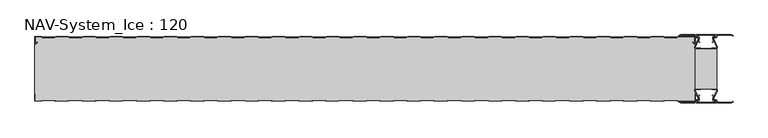
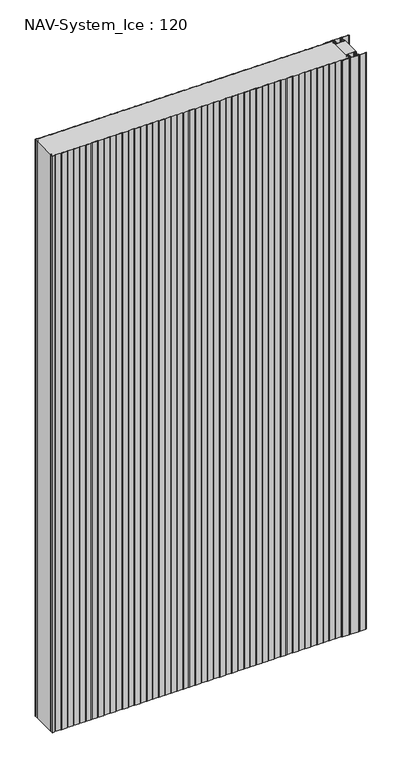
"""IFC4 building model written with IfcOpenShell, lengths in millimetres: plate geometry, NAV-System_Ice : 120."""

from ifc_helpers import new_model, si_unit, point, frame_2d, origin, origin_with_axes, place, context, project, spatial, polyline, circle_curve, trimmed, segment, composite_curve, outline, extrude, source, transform, mapped, element, save


def nav_system_ice_120_106fddd6(model_context):
    return source(origin(), model_context, "Body", "SweptSolid", [
        extrude(outline(polyline([(630.0, -96.9693935), (590.0, -96.9693935), (590.0, -23.0306065), (630.0, -23.0306065), (630.0, -96.9693935)])), origin_with_axes(), (0.0, 0.0, 1.0), 2500.0),
        extrude(outline(composite_curve([segment(trimmed(circle_curve(frame_2d((599.1138734, -111.8417863)), 3.357884), [point((596.1169606, -113.3563483))], [point((597.7243711, -108.7848813))], False, "CARTESIAN"), True, "CONTINUOUS"), segment(polyline([(597.7243711, -108.7848813), (598.0554135, -109.5131744)]), True, "CONTINUOUS"), segment(trimmed(circle_curve(frame_2d((599.1138734, -111.8417863)), 2.557884), [point((598.0554135, -109.5131744))], [point((596.8448746, -113.0226397))], True, "CARTESIAN"), True, "CONTINUOUS"), segment(polyline([(596.8448746, -113.0226397), (597.7376807, -115.2182139)]), True, "CONTINUOUS"), segment(trimmed(circle_curve(frame_2d((593.7962884, -116.3456266)), 4.0994674), [point((597.7376807, -115.2182139))], [point((593.7866434, -120.4450826))], False, "CARTESIAN"), True, "CONTINUOUS"), segment(polyline([(593.7866434, -120.4450826), (592.2194901, -120.4092333)]), True, "CONTINUOUS"), segment(trimmed(circle_curve(frame_2d((592.2592624, -121.3027113)), 0.8943628), [point((592.2194901, -120.4092333))], [point((592.2592624, -122.1970741))], True, "CARTESIAN"), True, "CONTINUOUS"), segment(polyline([(592.2592624, -122.1970741), (627.7407376, -122.1970741)]), True, "CONTINUOUS"), segment(trimmed(circle_curve(frame_2d((627.7407376, -121.3027113)), 0.8943628), [point((627.7407376, -122.1970741))], [point((627.7805099, -120.4092333))], True, "CARTESIAN"), True, "CONTINUOUS"), segment(polyline([(627.7805099, -120.4092333), (626.2133566, -120.4450826)]), True, "CONTINUOUS"), segment(trimmed(circle_curve(frame_2d((626.2037116, -116.3456266)), 4.0994674), [point((626.2133566, -120.4450826))], [point((622.2623193, -115.2182139))], False, "CARTESIAN"), True, "CONTINUOUS"), segment(polyline([(622.2623193, -115.2182139), (623.1551254, -113.0226397)]), True, "CONTINUOUS"), segment(trimmed(circle_curve(frame_2d((620.8861266, -111.8417863)), 2.557884), [point((623.1551254, -113.0226397))], [point((621.9445865, -109.5131744))], True, "CARTESIAN"), True, "CONTINUOUS"), segment(polyline([(621.9445865, -109.5131744), (622.2756289, -108.7848813)]), True, "CONTINUOUS"), segment(trimmed(circle_curve(frame_2d((620.8861266, -111.8417863)), 3.357884), [point((622.2756289, -108.7848813))], [point((623.8830394, -113.3563483))], False, "CARTESIAN"), True, "CONTINUOUS"), segment(polyline([(623.8830394, -113.3563483), (623.0205049, -115.4774793)]), True, "CONTINUOUS"), segment(trimmed(circle_curve(frame_2d((626.2037116, -116.3456266)), 3.2994674), [point((623.0205049, -115.4774793))], [point((626.2037116, -119.645094))], True, "CARTESIAN"), True, "CONTINUOUS"), segment(polyline([(626.2037116, -119.645094), (627.7848884, -119.6089239)]), True, "CONTINUOUS"), segment(trimmed(circle_curve(frame_2d((627.7407376, -121.3027113)), 1.6943628), [point((627.7848884, -119.6089239))], [point((627.7407423, -122.9970741))], False, "CARTESIAN"), True, "CONTINUOUS"), segment(polyline([(627.7407423, -122.9970741), (592.2592577, -122.9970741)]), True, "CONTINUOUS"), segment(trimmed(circle_curve(frame_2d((592.2592624, -121.3027113)), 1.6943628), [point((592.2592577, -122.9970741))], [point((592.2151116, -119.6089239))], False, "CARTESIAN"), True, "CONTINUOUS"), segment(polyline([(592.2151116, -119.6089239), (593.7962884, -119.645094)]), True, "CONTINUOUS"), segment(trimmed(circle_curve(frame_2d((593.7962884, -116.3456266)), 3.2994674), [point((593.7962884, -119.645094))], [point((596.9794951, -115.4774793))], True, "CARTESIAN"), True, "CONTINUOUS"), segment(polyline([(596.9794951, -115.4774793), (596.1169606, -113.3563483)]), True, "CONTINUOUS")], self_intersect=False)), origin_with_axes(), (0.0, 0.0, 1.0), 2500.0),
        extrude(outline(composite_curve([segment(polyline([(596.1169606, -6.6436517), (596.9794951, -4.5225207)]), True, "CONTINUOUS"), segment(trimmed(circle_curve(frame_2d((593.7962884, -3.6543734)), 3.2994674), [point((596.9794951, -4.5225207))], [point((593.7962884, -0.354906))], True, "CARTESIAN"), True, "CONTINUOUS"), segment(polyline([(593.7962884, -0.354906), (592.2151116, -0.3910761)]), True, "CONTINUOUS"), segment(trimmed(circle_curve(frame_2d((592.2592624, 1.3027113)), 1.6943628), [point((592.2151116, -0.3910761))], [point((592.2592577, 2.9970741))], False, "CARTESIAN"), True, "CONTINUOUS"), segment(polyline([(592.2592577, 2.9970741), (627.7407423, 2.9970741)]), True, "CONTINUOUS"), segment(trimmed(circle_curve(frame_2d((627.7407376, 1.3027113)), 1.6943628), [point((627.7407423, 2.9970741))], [point((627.7848884, -0.3910761))], False, "CARTESIAN"), True, "CONTINUOUS"), segment(polyline([(627.7848884, -0.3910761), (626.2037116, -0.354906)]), True, "CONTINUOUS"), segment(trimmed(circle_curve(frame_2d((626.2037116, -3.6543734)), 3.2994674), [point((626.2037116, -0.354906))], [point((623.0205049, -4.5225207))], True, "CARTESIAN"), True, "CONTINUOUS"), segment(polyline([(623.0205049, -4.5225207), (623.8830394, -6.6436517)]), True, "CONTINUOUS"), segment(trimmed(circle_curve(frame_2d((620.8861266, -8.1582137)), 3.357884), [point((623.8830394, -6.6436517))], [point((622.2756289, -11.2151187))], False, "CARTESIAN"), True, "CONTINUOUS"), segment(polyline([(622.2756289, -11.2151187), (621.9445865, -10.4868256)]), True, "CONTINUOUS"), segment(trimmed(circle_curve(frame_2d((620.8861266, -8.1582137)), 2.557884), [point((621.9445865, -10.4868256))], [point((623.1551254, -6.9773603))], True, "CARTESIAN"), True, "CONTINUOUS"), segment(polyline([(623.1551254, -6.9773603), (622.2623193, -4.7817861)]), True, "CONTINUOUS"), segment(trimmed(circle_curve(frame_2d((626.2037116, -3.6543734)), 4.0994674), [point((622.2623193, -4.7817861))], [point((626.2133566, 0.4450826))], False, "CARTESIAN"), True, "CONTINUOUS"), segment(polyline([(626.2133566, 0.4450826), (627.7805099, 0.4092333)]), True, "CONTINUOUS"), segment(trimmed(circle_curve(frame_2d((627.7407376, 1.3027113)), 0.8943628), [point((627.7805099, 0.4092333))], [point((627.7407376, 2.1970741))], True, "CARTESIAN"), True, "CONTINUOUS"), segment(polyline([(627.7407376, 2.1970741), (592.2592624, 2.1970741)]), True, "CONTINUOUS"), segment(trimmed(circle_curve(frame_2d((592.2592624, 1.3027113)), 0.8943628), [point((592.2592624, 2.1970741))], [point((592.2194901, 0.4092333))], True, "CARTESIAN"), True, "CONTINUOUS"), segment(polyline([(592.2194901, 0.4092333), (593.7866434, 0.4450826)]), True, "CONTINUOUS"), segment(trimmed(circle_curve(frame_2d((593.7962884, -3.6543734)), 4.0994674), [point((593.7866434, 0.4450826))], [point((597.7376807, -4.7817861))], False, "CARTESIAN"), True, "CONTINUOUS"), segment(polyline([(597.7376807, -4.7817861), (596.8448746, -6.9773603)]), True, "CONTINUOUS"), segment(trimmed(circle_curve(frame_2d((599.1138734, -8.1582137)), 2.557884), [point((596.8448746, -6.9773603))], [point((598.0554135, -10.4868256))], True, "CARTESIAN"), True, "CONTINUOUS"), segment(polyline([(598.0554135, -10.4868256), (597.7243711, -11.2151187)]), True, "CONTINUOUS"), segment(trimmed(circle_curve(frame_2d((599.1138734, -8.1582137)), 3.357884), [point((597.7243711, -11.2151187))], [point((596.1169606, -6.6436517))], False, "CARTESIAN"), True, "CONTINUOUS")], self_intersect=False)), origin_with_axes(), (0.0, 0.0, 1.0), 2500.0),
        extrude(outline(composite_curve([segment(trimmed(circle_curve(frame_2d((591.9446371, -99.7746821)), 1.80576), [point((591.9446371, -97.9689221))], [point((590.2170288, -100.300171))], True, "CARTESIAN"), True, "CONTINUOUS"), segment(polyline([(590.2170288, -100.300171), (596.4690067, -114.9459892)]), True, "CONTINUOUS"), segment(trimmed(circle_curve(frame_2d((593.7254406, -115.9868127)), 2.93436), [point((596.4690067, -114.9459892))], [point((593.7254406, -118.9211727))], False, "CARTESIAN"), True, "CONTINUOUS"), segment(polyline([(593.7254406, -118.9211727), (592.1347887, -118.9211727)]), True, "CONTINUOUS"), segment(trimmed(circle_curve(frame_2d((592.1347887, -120.5012127)), 1.58004), [point((592.1347887, -118.9211727))], [point((590.931072, -119.4776931))], True, "CARTESIAN"), True, "CONTINUOUS"), segment(polyline([(590.931072, -119.4776931), (589.0191946, -123.0112573), (562.9417977, -123.0112573), (560.0, -121.2043676), (560.523373, -120.3522639), (563.2243806, -122.0112573), (588.4232658, -122.0112573), (590.0952671, -118.9210361)]), True, "CONTINUOUS"), segment(trimmed(circle_curve(frame_2d((592.1347887, -120.5012127)), 2.58004), [point((590.0952671, -118.9210361))], [point((592.1347887, -117.9211727))], False, "CARTESIAN"), True, "CONTINUOUS"), segment(polyline([(592.1347887, -117.9211727), (593.7254406, -117.9211727)]), True, "CONTINUOUS"), segment(trimmed(circle_curve(frame_2d((593.7254406, -115.9868127)), 1.93436), [point((593.7254406, -117.9211727))], [point((595.5404425, -115.3178459))], True, "CARTESIAN"), True, "CONTINUOUS"), segment(polyline([(595.5404425, -115.3178459), (589.2784311, -100.6484726)]), True, "CONTINUOUS"), segment(trimmed(circle_curve(frame_2d((591.9446225, -99.7747413)), 2.8057055), [point((589.2784311, -100.6484726))], [point((591.9446225, -96.9690357))], False, "CARTESIAN"), True, "CONTINUOUS"), segment(polyline([(591.9446225, -96.9690357), (595.755568, -96.9690357)]), True, "CONTINUOUS"), segment(trimmed(circle_curve(frame_2d((595.7555679, -99.0975873)), 2.1285516), [point((595.755568, -96.9690357))], [point((597.1042828, -97.4508633))], False, "CARTESIAN"), True, "CONTINUOUS"), segment(trimmed(circle_curve(frame_2d((598.2552034, -96.0456377)), 1.8163913), [point((597.1042828, -97.4508633))], [point((599.4059468, -97.4510085))], True, "CARTESIAN"), True, "CONTINUOUS"), segment(trimmed(circle_curve(frame_2d((600.7543352, -99.0977575)), 2.128364), [point((599.4059468, -97.4510085))], [point((600.7543352, -96.9693935))], False, "CARTESIAN"), True, "CONTINUOUS"), segment(polyline([(600.7543352, -96.9693935), (619.2454674, -96.9693935)]), True, "CONTINUOUS"), segment(trimmed(circle_curve(frame_2d((619.2454674, -99.0977884)), 2.1283949), [point((619.2454674, -96.9693935))], [point((620.594293, -97.4513576))], False, "CARTESIAN"), True, "CONTINUOUS"), segment(trimmed(circle_curve(frame_2d((621.7456338, -96.0459847)), 1.8167715), [point((620.594293, -97.4513576))], [point((622.8963798, -97.4518446))], True, "CARTESIAN"), True, "CONTINUOUS"), segment(trimmed(circle_curve(frame_2d((624.244105, -99.0983528)), 2.1277576), [point((622.8963798, -97.4518446))], [point((624.244105, -96.9705952))], False, "CARTESIAN"), True, "CONTINUOUS"), segment(polyline([(624.244105, -96.9705952), (628.0535675, -96.9705952)]), True, "CONTINUOUS"), segment(trimmed(circle_curve(frame_2d((628.0535675, -99.7787791)), 2.8081839), [point((628.0535675, -96.9705952))], [point((630.7287795, -100.6326746))], False, "CARTESIAN"), True, "CONTINUOUS"), segment(polyline([(630.7287795, -100.6326746), (624.4595575, -115.3178459)]), True, "CONTINUOUS"), segment(trimmed(circle_curve(frame_2d((626.2745595, -115.9868127)), 1.93436), [point((624.4595575, -115.3178459))], [point((626.2745595, -117.9211727))], True, "CARTESIAN"), True, "CONTINUOUS"), segment(polyline([(626.2745595, -117.9211727), (627.8652113, -117.9211727)]), True, "CONTINUOUS"), segment(trimmed(circle_curve(frame_2d((627.8652113, -120.5012127)), 2.58004), [point((627.8652113, -117.9211727))], [point((629.9047329, -118.9210361))], False, "CARTESIAN"), True, "CONTINUOUS"), segment(polyline([(629.9047329, -118.9210361), (631.5767342, -122.0112573), (656.7756194, -122.0112573), (659.476627, -120.3522639), (660.0, -121.2043676), (657.0582024, -123.0112573), (630.9808054, -123.0112573), (629.068928, -119.4776931)]), True, "CONTINUOUS"), segment(trimmed(circle_curve(frame_2d((627.8652113, -120.5012127)), 1.58004), [point((629.068928, -119.4776931))], [point((627.8652113, -118.9211727))], True, "CARTESIAN"), True, "CONTINUOUS"), segment(polyline([(627.8652113, -118.9211727), (626.2745595, -118.9211727)]), True, "CONTINUOUS"), segment(trimmed(circle_curve(frame_2d((626.2745595, -115.9868127)), 2.93436), [point((626.2745595, -118.9211727))], [point((623.5309933, -114.9459892))], False, "CARTESIAN"), True, "CONTINUOUS"), segment(polyline([(623.5309933, -114.9459892), (629.7829713, -100.300171)]), True, "CONTINUOUS"), segment(trimmed(circle_curve(frame_2d((628.0553629, -99.7746822)), 1.80576), [point((629.7829713, -100.300171))], [point((628.0553629, -97.9689222))], True, "CARTESIAN"), True, "CONTINUOUS"), segment(polyline([(628.0553629, -97.9689222), (623.5184731, -97.9689222)]), True, "CONTINUOUS"), segment(trimmed(circle_curve(frame_2d((621.7449981, -96.0455076)), 2.6162449), [point((623.5184731, -97.9689222))], [point((619.7766029, -97.7689222))], False, "CARTESIAN"), True, "CONTINUOUS"), segment(polyline([(619.7766029, -97.7689222), (600.2233971, -97.7689222)]), True, "CONTINUOUS"), segment(trimmed(circle_curve(frame_2d((598.255002, -96.0455076)), 2.6162449), [point((600.2233971, -97.7689222))], [point((596.4815269, -97.9689221))], False, "CARTESIAN"), True, "CONTINUOUS"), segment(polyline([(596.4815269, -97.9689221), (591.9446371, -97.9689221)]), True, "CONTINUOUS")], self_intersect=False)), origin_with_axes(), (0.0, 0.0, 1.0), 2500.0),
        extrude(outline(composite_curve([segment(polyline([(591.9446371, -22.0310778), (596.4815269, -22.0310778)]), True, "CONTINUOUS"), segment(trimmed(circle_curve(frame_2d((598.2550019, -23.9544924)), 2.6162449), [point((596.4815269, -22.0310778))], [point((600.2233971, -22.2310778))], False, "CARTESIAN"), True, "CONTINUOUS"), segment(polyline([(600.2233971, -22.2310778), (619.7766029, -22.2310778)]), True, "CONTINUOUS"), segment(trimmed(circle_curve(frame_2d((621.7449981, -23.9544924)), 2.6162449), [point((619.7766029, -22.2310778))], [point((623.5184731, -22.0310778))], False, "CARTESIAN"), True, "CONTINUOUS"), segment(polyline([(623.5184731, -22.0310778), (628.0553629, -22.0310778)]), True, "CONTINUOUS"), segment(trimmed(circle_curve(frame_2d((628.0553629, -20.2253178)), 1.80576), [point((628.0553629, -22.0310778))], [point((629.7829712, -19.699829))], True, "CARTESIAN"), True, "CONTINUOUS"), segment(polyline([(629.7829712, -19.699829), (623.5309933, -5.0540108)]), True, "CONTINUOUS"), segment(trimmed(circle_curve(frame_2d((626.2745594, -4.0131873)), 2.93436), [point((623.5309933, -5.0540108))], [point((626.2745594, -1.0788273))], False, "CARTESIAN"), True, "CONTINUOUS"), segment(polyline([(626.2745594, -1.0788273), (627.8652113, -1.0788273)]), True, "CONTINUOUS"), segment(trimmed(circle_curve(frame_2d((627.8652113, 0.5012127)), 1.58004), [point((627.8652113, -1.0788273))], [point((629.068928, -0.5223069))], True, "CARTESIAN"), True, "CONTINUOUS"), segment(polyline([(629.068928, -0.5223069), (630.9808054, 3.0112573), (657.0582023, 3.0112573), (660.0, 1.2043676), (659.476627, 0.3522639), (656.7756194, 2.0112573), (631.5767342, 2.0112573), (629.9047329, -1.0789639)]), True, "CONTINUOUS"), segment(trimmed(circle_curve(frame_2d((627.8652113, 0.5012127)), 2.58004), [point((629.9047329, -1.0789639))], [point((627.8652113, -2.0788273))], False, "CARTESIAN"), True, "CONTINUOUS"), segment(polyline([(627.8652113, -2.0788273), (626.2745594, -2.0788273)]), True, "CONTINUOUS"), segment(trimmed(circle_curve(frame_2d((626.2745594, -4.0131873)), 1.93436), [point((626.2745594, -2.0788273))], [point((624.4595575, -4.6821541))], True, "CARTESIAN"), True, "CONTINUOUS"), segment(polyline([(624.4595575, -4.6821541), (630.7287795, -19.3673254)]), True, "CONTINUOUS"), segment(trimmed(circle_curve(frame_2d((628.0535675, -20.2212209)), 2.8081839), [point((630.7287795, -19.3673254))], [point((628.0535675, -23.0294048))], False, "CARTESIAN"), True, "CONTINUOUS"), segment(polyline([(628.0535675, -23.0294048), (624.244105, -23.0294048)]), True, "CONTINUOUS"), segment(trimmed(circle_curve(frame_2d((624.244105, -20.9016472)), 2.1277576), [point((624.244105, -23.0294048))], [point((622.8963798, -22.5481554))], False, "CARTESIAN"), True, "CONTINUOUS"), segment(trimmed(circle_curve(frame_2d((621.7456337, -23.9540153)), 1.8167716), [point((622.8963798, -22.5481554))], [point((620.5942929, -22.5486423))], True, "CARTESIAN"), True, "CONTINUOUS"), segment(trimmed(circle_curve(frame_2d((619.2454674, -20.9022116)), 2.1283949), [point((620.5942929, -22.5486423))], [point((619.2454674, -23.0306065))], False, "CARTESIAN"), True, "CONTINUOUS"), segment(polyline([(619.2454674, -23.0306065), (600.7543352, -23.0306065)]), True, "CONTINUOUS"), segment(trimmed(circle_curve(frame_2d((600.7543352, -20.9022425)), 2.128364), [point((600.7543352, -23.0306065))], [point((599.4059468, -22.5489915))], False, "CARTESIAN"), True, "CONTINUOUS"), segment(trimmed(circle_curve(frame_2d((598.2552034, -23.9543623)), 1.8163912), [point((599.4059468, -22.5489915))], [point((597.1042828, -22.5491367))], True, "CARTESIAN"), True, "CONTINUOUS"), segment(trimmed(circle_curve(frame_2d((595.7555679, -20.9024127)), 2.1285516), [point((597.1042828, -22.5491367))], [point((595.7555679, -23.0309643))], False, "CARTESIAN"), True, "CONTINUOUS"), segment(polyline([(595.7555679, -23.0309643), (591.9446225, -23.0309643)]), True, "CONTINUOUS"), segment(trimmed(circle_curve(frame_2d((591.9446225, -20.2252587)), 2.8057055), [point((591.9446225, -23.0309643))], [point((589.2784311, -19.3515274))], False, "CARTESIAN"), True, "CONTINUOUS"), segment(polyline([(589.2784311, -19.3515274), (595.5404425, -4.6821541)]), True, "CONTINUOUS"), segment(trimmed(circle_curve(frame_2d((593.7254406, -4.0131873)), 1.93436), [point((595.5404425, -4.6821541))], [point((593.7254406, -2.0788273))], True, "CARTESIAN"), True, "CONTINUOUS"), segment(polyline([(593.7254406, -2.0788273), (592.1347887, -2.0788273)]), True, "CONTINUOUS"), segment(trimmed(circle_curve(frame_2d((592.1347887, 0.5012127)), 2.58004), [point((592.1347887, -2.0788273))], [point((590.0952671, -1.0789639))], False, "CARTESIAN"), True, "CONTINUOUS"), segment(polyline([(590.0952671, -1.0789639), (588.4232658, 2.0112573), (563.2243806, 2.0112573), (560.523373, 0.3522639), (560.0, 1.2043676), (562.9417977, 3.0112573), (589.0191946, 3.0112573), (590.931072, -0.5223069)]), True, "CONTINUOUS"), segment(trimmed(circle_curve(frame_2d((592.1347887, 0.5012127)), 1.58004), [point((590.931072, -0.5223069))], [point((592.1347887, -1.0788273))], True, "CARTESIAN"), True, "CONTINUOUS"), segment(polyline([(592.1347887, -1.0788273), (593.7254406, -1.0788273)]), True, "CONTINUOUS"), segment(trimmed(circle_curve(frame_2d((593.7254406, -4.0131873)), 2.93436), [point((593.7254406, -1.0788273))], [point((596.4690067, -5.0540108))], False, "CARTESIAN"), True, "CONTINUOUS"), segment(polyline([(596.4690067, -5.0540108), (590.2170288, -19.699829)]), True, "CONTINUOUS"), segment(trimmed(circle_curve(frame_2d((591.9446371, -20.2253178)), 1.80576), [point((590.2170288, -19.699829))], [point((591.9446371, -22.0310778))], True, "CARTESIAN"), True, "CONTINUOUS")], self_intersect=False)), origin_with_axes(), (0.0, 0.0, 1.0), 2500.0),
        extrude(outline(composite_curve([segment(polyline([(559.1298221, -0.8), (556.1298221, -1.8), (533.8701779, -1.8), (530.8701779, -0.8), (509.1298221, -0.8), (506.1298221, -1.8), (483.8701779, -1.8), (480.8701779, -0.8), (459.1298221, -0.8), (456.1298221, -1.8), (433.8701779, -1.8), (430.8701779, -0.8), (409.1298221, -0.8), (406.1298221, -1.8), (383.8701779, -1.8), (380.8701779, -0.8), (359.1298221, -0.8), (356.1298221, -1.8), (333.8701779, -1.8), (330.8701779, -0.8), (309.1298221, -0.8), (306.1298221, -1.8), (283.8701779, -1.8), (280.8701779, -0.8), (259.1298221, -0.8), (256.1298221, -1.8), (233.8701779, -1.8), (230.8701779, -0.8), (209.1298221, -0.8), (206.1298221, -1.8), (183.8701779, -1.8), (180.8701779, -0.8), (159.1298221, -0.8), (156.1298221, -1.8), (133.8701779, -1.8), (130.8701779, -0.8), (109.1298221, -0.8), (106.1298221, -1.8), (83.8701779, -1.8), (80.8701779, -0.8), (59.1298221, -0.8), (56.1298221, -1.8), (33.8701779, -1.8), (30.8701779, -0.8), (9.1298221, -0.8), (6.1298221, -1.8), (-16.1298221, -1.8), (-19.1298221, -0.8), (-40.8701779, -0.8), (-43.8701779, -1.8), (-66.1298221, -1.8), (-69.1298221, -0.8), (-90.8701779, -0.8), (-93.8701779, -1.8), (-116.1298221, -1.8), (-119.1298221, -0.8), (-140.8701779, -0.8), (-143.8701779, -1.8), (-166.1298221, -1.8), (-169.1298221, -0.8), (-190.8701779, -0.8), (-193.8701779, -1.8), (-216.1298221, -1.8), (-219.1298221, -0.8), (-240.8701779, -0.8), (-243.8701779, -1.8), (-266.1298221, -1.8), (-269.1298221, -0.8), (-290.8701779, -0.8), (-293.8701779, -1.8), (-316.1298221, -1.8), (-319.1298221, -0.8), (-340.8701779, -0.8), (-343.8701779, -1.8), (-366.1298221, -1.8), (-369.1298221, -0.8), (-390.8701779, -0.8), (-393.8701779, -1.8), (-416.1298221, -1.8), (-419.1298221, -0.8), (-440.8701779, -0.8), (-443.8701779, -1.8), (-466.1298221, -1.8), (-469.1298221, -0.8), (-490.8701779, -0.8), (-493.8701779, -1.8), (-516.1298221, -1.8), (-519.1298221, -0.8), (-540.8701779, -0.8), (-543.8701779, -1.8), (-566.1298221, -1.8), (-569.1298221, -0.8), (-590.8701779, -0.8), (-593.8701779, -1.8), (-616.1298221, -1.8), (-619.1298221, -0.8), (-628.7, -0.8)]), True, "CONTINUOUS"), segment(trimmed(circle_curve(frame_2d((-628.7, -1.3)), 0.5), [point((-628.7, -0.8))], [point((-629.2, -1.3))], True, "CARTESIAN"), True, "CONTINUOUS"), segment(polyline([(-629.2, -1.3), (-629.2, -12.5857864)]), True, "CONTINUOUS"), segment(trimmed(circle_curve(frame_2d((-628.7, -12.5857864)), 0.5), [point((-629.2, -12.5857864))], [point((-628.3464466, -12.9393398))], True, "CARTESIAN"), True, "CONTINUOUS"), segment(polyline([(-628.3464466, -12.9393398), (-625.9205321, -10.5134253), (-625.3548467, -11.0791108), (-627.7807612, -13.5050253)]), True, "CONTINUOUS"), segment(trimmed(circle_curve(frame_2d((-628.7, -12.5857864)), 1.3), [point((-627.7807612, -13.5050253))], [point((-630.0, -12.5857864))], False, "CARTESIAN"), True, "CONTINUOUS"), segment(polyline([(-630.0, -12.5857864), (-630.0, -1.3)]), True, "CONTINUOUS"), segment(trimmed(circle_curve(frame_2d((-628.7, -1.3)), 1.3), [point((-630.0, -1.3))], [point((-628.7, 0.0))], False, "CARTESIAN"), True, "CONTINUOUS"), segment(polyline([(-628.7, 0.0), (-619.0, 0.0), (-616.0, -1.0), (-594.0, -1.0), (-591.0, 0.0), (-569.0, 0.0), (-566.0, -1.0), (-544.0, -1.0), (-541.0, 0.0), (-519.0, 0.0), (-516.0, -1.0), (-494.0, -1.0), (-491.0, 0.0), (-469.0, 0.0), (-466.0, -1.0), (-444.0, -1.0), (-441.0, 0.0), (-419.0, 0.0), (-416.0, -1.0), (-394.0, -1.0), (-391.0, 0.0), (-369.0, 0.0), (-366.0, -1.0), (-344.0, -1.0), (-341.0, 0.0), (-319.0, 0.0), (-316.0, -1.0), (-294.0, -1.0), (-291.0, 0.0), (-269.0, 0.0), (-266.0, -1.0), (-244.0, -1.0), (-241.0, 0.0), (-219.0, 0.0), (-216.0, -1.0), (-194.0, -1.0), (-191.0, 0.0), (-169.0, 0.0), (-166.0, -1.0), (-144.0, -1.0), (-141.0, 0.0), (-119.0, 0.0), (-116.0, -1.0), (-94.0, -1.0), (-91.0, 0.0), (-69.0, 0.0), (-66.0, -1.0), (-44.0, -1.0), (-41.0, 0.0), (-19.0, 0.0), (-16.0, -1.0), (6.0, -1.0), (9.0, 0.0), (31.0, 0.0), (34.0, -1.0), (56.0, -1.0), (59.0, 0.0), (81.0, 0.0), (84.0, -1.0), (106.0, -1.0), (109.0, 0.0), (131.0, 0.0), (134.0, -1.0), (156.0, -1.0), (159.0, 0.0), (181.0, 0.0), (184.0, -1.0), (206.0, -1.0), (209.0, 0.0), (231.0, 0.0), (234.0, -1.0), (256.0, -1.0), (259.0, 0.0), (281.0, 0.0), (284.0, -1.0), (306.0, -1.0), (309.0, 0.0), (331.0, 0.0), (334.0, -1.0), (356.0, -1.0), (359.0, 0.0), (381.0, 0.0), (384.0, -1.0), (406.0, -1.0), (409.0, 0.0), (431.0, 0.0), (434.0, -1.0), (456.0, -1.0), (459.0, 0.0), (481.0, 0.0), (484.0, -1.0), (506.0, -1.0), (509.0, 0.0), (531.0, 0.0), (534.0, -1.0), (556.0, -1.0), (559.0, 0.0), (588.7, 0.0)]), True, "CONTINUOUS"), segment(trimmed(circle_curve(frame_2d((588.7, -1.3)), 1.3), [point((588.7, 0.0))], [point((590.0, -1.3))], False, "CARTESIAN"), True, "CONTINUOUS"), segment(polyline([(590.0, -1.3), (590.0, -12.5857864)]), True, "CONTINUOUS"), segment(trimmed(circle_curve(frame_2d((588.7, -12.5857864)), 1.3), [point((590.0, -12.5857864))], [point((587.7807612, -13.5050253))], False, "CARTESIAN"), True, "CONTINUOUS"), segment(polyline([(587.7807612, -13.5050253), (585.3548467, -11.0791108), (585.9205321, -10.5134253), (588.3464466, -12.9393398)]), True, "CONTINUOUS"), segment(trimmed(circle_curve(frame_2d((588.7, -12.5857864)), 0.5), [point((588.3464466, -12.9393398))], [point((589.2, -12.5857864))], True, "CARTESIAN"), True, "CONTINUOUS"), segment(polyline([(589.2, -12.5857864), (589.2, -1.3)]), True, "CONTINUOUS"), segment(trimmed(circle_curve(frame_2d((588.7, -1.3)), 0.5), [point((589.2, -1.3))], [point((588.7, -0.8))], True, "CARTESIAN"), True, "CONTINUOUS"), segment(polyline([(588.7, -0.8), (559.1298221, -0.8)]), True, "CONTINUOUS")], self_intersect=False)), origin_with_axes(), (0.0, 0.0, 1.0), 2500.0),
        extrude(outline(composite_curve([segment(polyline([(559.1298221, -0.8), (588.7, -0.8)]), True, "CONTINUOUS"), segment(trimmed(circle_curve(frame_2d((588.7, -1.3)), 0.5), [point((588.7, -0.8))], [point((589.2, -1.3))], False, "CARTESIAN"), True, "CONTINUOUS"), segment(polyline([(589.2, -1.3), (589.2, -12.5857864)]), True, "CONTINUOUS"), segment(trimmed(circle_curve(frame_2d((588.7, -12.5857864)), 0.5), [point((589.2, -12.5857864))], [point((588.3464466, -12.9393398))], False, "CARTESIAN"), True, "CONTINUOUS"), segment(polyline([(588.3464466, -12.9393398), (585.9205321, -10.5134253), (585.3548467, -11.0791108), (587.7807612, -13.5050253)]), True, "CONTINUOUS"), segment(trimmed(circle_curve(frame_2d((588.7, -12.5857864)), 1.3), [point((587.7807612, -13.5050253))], [point((588.7, -13.8857864))], True, "CARTESIAN"), True, "CONTINUOUS"), segment(polyline([(588.7, -13.8857864), (590.0, -13.8857864), (590.0, -106.1142136), (588.7, -106.1142136)]), True, "CONTINUOUS"), segment(trimmed(circle_curve(frame_2d((588.7, -107.4142136)), 1.3), [point((588.7, -106.1142136))], [point((587.7807612, -106.4949747))], True, "CARTESIAN"), True, "CONTINUOUS"), segment(polyline([(587.7807612, -106.4949747), (585.3548467, -108.9208892), (585.9205321, -109.4865747), (588.3464466, -107.0606602)]), True, "CONTINUOUS"), segment(trimmed(circle_curve(frame_2d((588.7, -107.4142136)), 0.5), [point((588.3464466, -107.0606602))], [point((589.2, -107.4142136))], False, "CARTESIAN"), True, "CONTINUOUS"), segment(polyline([(589.2, -107.4142136), (589.2, -118.7)]), True, "CONTINUOUS"), segment(trimmed(circle_curve(frame_2d((588.7, -118.7)), 0.5), [point((589.2, -118.7))], [point((588.7, -119.2))], False, "CARTESIAN"), True, "CONTINUOUS"), segment(polyline([(588.7, -119.2), (559.1298221, -119.2), (556.1298221, -118.2), (533.8701779, -118.2), (530.8701779, -119.2), (509.1298221, -119.2), (506.1298221, -118.2), (483.8701779, -118.2), (480.8701779, -119.2), (459.1298221, -119.2), (456.1298221, -118.2), (433.8701779, -118.2), (430.8701779, -119.2), (409.1298221, -119.2), (406.1298221, -118.2), (383.8701779, -118.2), (380.8701779, -119.2), (359.1298221, -119.2), (356.1298221, -118.2), (333.8701779, -118.2), (330.8701779, -119.2), (309.1298221, -119.2), (306.1298221, -118.2), (283.8701779, -118.2), (280.8701779, -119.2), (259.1298221, -119.2), (256.1298221, -118.2), (233.8701779, -118.2), (230.8701779, -119.2), (209.1298221, -119.2), (206.1298221, -118.2), (183.8701779, -118.2), (180.8701779, -119.2), (159.1298221, -119.2), (156.1298221, -118.2), (133.8701779, -118.2), (130.8701779, -119.2), (109.1298221, -119.2), (106.1298221, -118.2), (83.8701779, -118.2), (80.8701779, -119.2), (59.1298221, -119.2), (56.1298221, -118.2), (33.8701779, -118.2), (30.8701779, -119.2), (9.1298221, -119.2), (6.1298221, -118.2), (-16.1298221, -118.2), (-19.1298221, -119.2), (-40.8701779, -119.2), (-43.8701779, -118.2), (-66.1298221, -118.2), (-69.1298221, -119.2), (-90.8701779, -119.2), (-93.8701779, -118.2), (-116.1298221, -118.2), (-119.1298221, -119.2), (-140.8701779, -119.2), (-143.8701779, -118.2), (-166.1298221, -118.2), (-169.1298221, -119.2), (-190.8701779, -119.2), (-193.8701779, -118.2), (-216.1298221, -118.2), (-219.1298221, -119.2), (-240.8701779, -119.2), (-243.8701779, -118.2), (-266.1298221, -118.2), (-269.1298221, -119.2), (-290.8701779, -119.2), (-293.8701779, -118.2), (-316.1298221, -118.2), (-319.1298221, -119.2), (-340.8701779, -119.2), (-343.8701779, -118.2), (-366.1298221, -118.2), (-369.1298221, -119.2), (-390.8701779, -119.2), (-393.8701779, -118.2), (-416.1298221, -118.2), (-419.1298221, -119.2), (-440.8701779, -119.2), (-443.8701779, -118.2), (-466.1298221, -118.2), (-469.1298221, -119.2), (-490.8701779, -119.2), (-493.8701779, -118.2), (-516.1298221, -118.2), (-519.1298221, -119.2), (-540.8701779, -119.2), (-543.8701779, -118.2), (-566.1298221, -118.2), (-569.1298221, -119.2), (-590.8701779, -119.2), (-593.8701779, -118.2), (-616.1298221, -118.2), (-619.1298221, -119.2), (-628.7, -119.2)]), True, "CONTINUOUS"), segment(trimmed(circle_curve(frame_2d((-628.7, -118.7)), 0.5), [point((-628.7, -119.2))], [point((-629.2, -118.7))], False, "CARTESIAN"), True, "CONTINUOUS"), segment(polyline([(-629.2, -118.7), (-629.2, -107.4142136)]), True, "CONTINUOUS"), segment(trimmed(circle_curve(frame_2d((-628.7, -107.4142136)), 0.5), [point((-629.2, -107.4142136))], [point((-628.3464466, -107.0606602))], False, "CARTESIAN"), True, "CONTINUOUS"), segment(polyline([(-628.3464466, -107.0606602), (-625.9205321, -109.4865747), (-625.3548467, -108.9208892), (-627.7807612, -106.4949747)]), True, "CONTINUOUS"), segment(trimmed(circle_curve(frame_2d((-628.7, -107.4142136)), 1.3), [point((-627.7807612, -106.4949747))], [point((-628.7, -106.1142136))], True, "CARTESIAN"), True, "CONTINUOUS"), segment(polyline([(-628.7, -106.1142136), (-630.0, -106.1142136), (-630.0, -13.8857864), (-628.7, -13.8857864)]), True, "CONTINUOUS"), segment(trimmed(circle_curve(frame_2d((-628.7, -12.5857864)), 1.3), [point((-628.7, -13.8857864))], [point((-627.7807612, -13.5050253))], True, "CARTESIAN"), True, "CONTINUOUS"), segment(polyline([(-627.7807612, -13.5050253), (-625.3548467, -11.0791108), (-625.9205321, -10.5134253), (-628.3464466, -12.9393398)]), True, "CONTINUOUS"), segment(trimmed(circle_curve(frame_2d((-628.7, -12.5857864)), 0.5), [point((-628.3464466, -12.9393398))], [point((-629.2, -12.5857864))], False, "CARTESIAN"), True, "CONTINUOUS"), segment(polyline([(-629.2, -12.5857864), (-629.2, -1.3)]), True, "CONTINUOUS"), segment(trimmed(circle_curve(frame_2d((-628.7, -1.3)), 0.5), [point((-629.2, -1.3))], [point((-628.7, -0.8))], False, "CARTESIAN"), True, "CONTINUOUS"), segment(polyline([(-628.7, -0.8), (-619.1298221, -0.8), (-616.1298221, -1.8), (-593.8701779, -1.8), (-590.8701779, -0.8), (-569.1298221, -0.8), (-566.1298221, -1.8), (-543.8701779, -1.8), (-540.8701779, -0.8), (-519.1298221, -0.8), (-516.1298221, -1.8), (-493.8701779, -1.8), (-490.8701779, -0.8), (-469.1298221, -0.8), (-466.1298221, -1.8), (-443.8701779, -1.8), (-440.8701779, -0.8), (-419.1298221, -0.8), (-416.1298221, -1.8), (-393.8701779, -1.8), (-390.8701779, -0.8), (-369.1298221, -0.8), (-366.1298221, -1.8), (-343.8701779, -1.8), (-340.8701779, -0.8), (-319.1298221, -0.8), (-316.1298221, -1.8), (-293.8701779, -1.8), (-290.8701779, -0.8), (-269.1298221, -0.8), (-266.1298221, -1.8), (-243.8701779, -1.8), (-240.8701779, -0.8), (-219.1298221, -0.8), (-216.1298221, -1.8), (-193.8701779, -1.8), (-190.8701779, -0.8), (-169.1298221, -0.8), (-166.1298221, -1.8), (-143.8701779, -1.8), (-140.8701779, -0.8), (-119.1298221, -0.8), (-116.1298221, -1.8), (-93.8701779, -1.8), (-90.8701779, -0.8), (-69.1298221, -0.8), (-66.1298221, -1.8), (-43.8701779, -1.8), (-40.8701779, -0.8), (-19.1298221, -0.8), (-16.1298221, -1.8), (6.1298221, -1.8), (9.1298221, -0.8), (30.8701779, -0.8), (33.8701779, -1.8), (56.1298221, -1.8), (59.1298221, -0.8), (80.8701779, -0.8), (83.8701779, -1.8), (106.1298221, -1.8), (109.1298221, -0.8), (130.8701779, -0.8), (133.8701779, -1.8), (156.1298221, -1.8), (159.1298221, -0.8), (180.8701779, -0.8), (183.8701779, -1.8), (206.1298221, -1.8), (209.1298221, -0.8), (230.8701779, -0.8), (233.8701779, -1.8), (256.1298221, -1.8), (259.1298221, -0.8), (280.8701779, -0.8), (283.8701779, -1.8), (306.1298221, -1.8), (309.1298221, -0.8), (330.8701779, -0.8), (333.8701779, -1.8), (356.1298221, -1.8), (359.1298221, -0.8), (380.8701779, -0.8), (383.8701779, -1.8), (406.1298221, -1.8), (409.1298221, -0.8), (430.8701779, -0.8), (433.8701779, -1.8), (456.1298221, -1.8), (459.1298221, -0.8), (480.8701779, -0.8), (483.8701779, -1.8), (506.1298221, -1.8), (509.1298221, -0.8), (530.8701779, -0.8), (533.8701779, -1.8), (556.1298221, -1.8), (559.1298221, -0.8)]), True, "CONTINUOUS")], self_intersect=False)), origin_with_axes(), (0.0, 0.0, 1.0), 2500.0),
        extrude(outline(composite_curve([segment(polyline([(559.1298221, -119.2), (588.7, -119.2)]), True, "CONTINUOUS"), segment(trimmed(circle_curve(frame_2d((588.7, -118.7)), 0.5), [point((588.7, -119.2))], [point((589.2, -118.7))], True, "CARTESIAN"), True, "CONTINUOUS"), segment(polyline([(589.2, -118.7), (589.2, -107.4142136)]), True, "CONTINUOUS"), segment(trimmed(circle_curve(frame_2d((588.7, -107.4142136)), 0.5), [point((589.2, -107.4142136))], [point((588.3464466, -107.0606602))], True, "CARTESIAN"), True, "CONTINUOUS"), segment(polyline([(588.3464466, -107.0606602), (585.9205321, -109.4865747), (585.3548467, -108.9208892), (587.7807612, -106.4949747)]), True, "CONTINUOUS"), segment(trimmed(circle_curve(frame_2d((588.7, -107.4142136)), 1.3), [point((587.7807612, -106.4949747))], [point((590.0, -107.4142136))], False, "CARTESIAN"), True, "CONTINUOUS"), segment(polyline([(590.0, -107.4142136), (590.0, -118.7)]), True, "CONTINUOUS"), segment(trimmed(circle_curve(frame_2d((588.7, -118.7)), 1.3), [point((590.0, -118.7))], [point((588.7, -120.0))], False, "CARTESIAN"), True, "CONTINUOUS"), segment(polyline([(588.7, -120.0), (559.0, -120.0), (556.0, -119.0), (534.0, -119.0), (531.0, -120.0), (509.0, -120.0), (506.0, -119.0), (484.0, -119.0), (481.0, -120.0), (459.0, -120.0), (456.0, -119.0), (434.0, -119.0), (431.0, -120.0), (409.0, -120.0), (406.0, -119.0), (384.0, -119.0), (381.0, -120.0), (359.0, -120.0), (356.0, -119.0), (334.0, -119.0), (331.0, -120.0), (309.0, -120.0), (306.0, -119.0), (284.0, -119.0), (281.0, -120.0), (259.0, -120.0), (256.0, -119.0), (234.0, -119.0), (231.0, -120.0), (209.0, -120.0), (206.0, -119.0), (184.0, -119.0), (181.0, -120.0), (159.0, -120.0), (156.0, -119.0), (134.0, -119.0), (131.0, -120.0), (109.0, -120.0), (106.0, -119.0), (84.0, -119.0), (81.0, -120.0), (59.0, -120.0), (56.0, -119.0), (34.0, -119.0), (31.0, -120.0), (9.0, -120.0), (6.0, -119.0), (-16.0, -119.0), (-19.0, -120.0), (-41.0, -120.0), (-44.0, -119.0), (-66.0, -119.0), (-69.0, -120.0), (-91.0, -120.0), (-94.0, -119.0), (-116.0, -119.0), (-119.0, -120.0), (-141.0, -120.0), (-144.0, -119.0), (-166.0, -119.0), (-169.0, -120.0), (-191.0, -120.0), (-194.0, -119.0), (-216.0, -119.0), (-219.0, -120.0), (-241.0, -120.0), (-244.0, -119.0), (-266.0, -119.0), (-269.0, -120.0), (-291.0, -120.0), (-294.0, -119.0), (-316.0, -119.0), (-319.0, -120.0), (-341.0, -120.0), (-344.0, -119.0), (-366.0, -119.0), (-369.0, -120.0), (-391.0, -120.0), (-394.0, -119.0), (-416.0, -119.0), (-419.0, -120.0), (-441.0, -120.0), (-444.0, -119.0), (-466.0, -119.0), (-469.0, -120.0), (-491.0, -120.0), (-494.0, -119.0), (-516.0, -119.0), (-519.0, -120.0), (-541.0, -120.0), (-544.0, -119.0), (-566.0, -119.0), (-569.0, -120.0), (-591.0, -120.0), (-594.0, -119.0), (-616.0, -119.0), (-619.0, -120.0), (-628.7, -120.0)]), True, "CONTINUOUS"), segment(trimmed(circle_curve(frame_2d((-628.7, -118.7)), 1.3), [point((-628.7, -120.0))], [point((-630.0, -118.7))], False, "CARTESIAN"), True, "CONTINUOUS"), segment(polyline([(-630.0, -118.7), (-630.0, -107.4142136)]), True, "CONTINUOUS"), segment(trimmed(circle_curve(frame_2d((-628.7, -107.4142136)), 1.3), [point((-630.0, -107.4142136))], [point((-627.7807612, -106.4949747))], False, "CARTESIAN"), True, "CONTINUOUS"), segment(polyline([(-627.7807612, -106.4949747), (-625.3548467, -108.9208892), (-625.9205321, -109.4865747), (-628.3464466, -107.0606602)]), True, "CONTINUOUS"), segment(trimmed(circle_curve(frame_2d((-628.7, -107.4142136)), 0.5), [point((-628.3464466, -107.0606602))], [point((-629.2, -107.4142136))], True, "CARTESIAN"), True, "CONTINUOUS"), segment(polyline([(-629.2, -107.4142136), (-629.2, -118.7)]), True, "CONTINUOUS"), segment(trimmed(circle_curve(frame_2d((-628.7, -118.7)), 0.5), [point((-629.2, -118.7))], [point((-628.7, -119.2))], True, "CARTESIAN"), True, "CONTINUOUS"), segment(polyline([(-628.7, -119.2), (-619.1298221, -119.2), (-616.1298221, -118.2), (-593.8701779, -118.2), (-590.8701779, -119.2), (-569.1298221, -119.2), (-566.1298221, -118.2), (-543.8701779, -118.2), (-540.8701779, -119.2), (-519.1298221, -119.2), (-516.1298221, -118.2), (-493.8701779, -118.2), (-490.8701779, -119.2), (-469.1298221, -119.2), (-466.1298221, -118.2), (-443.8701779, -118.2), (-440.8701779, -119.2), (-419.1298221, -119.2), (-416.1298221, -118.2), (-393.8701779, -118.2), (-390.8701779, -119.2), (-369.1298221, -119.2), (-366.1298221, -118.2), (-343.8701779, -118.2), (-340.8701779, -119.2), (-319.1298221, -119.2), (-316.1298221, -118.2), (-293.8701779, -118.2), (-290.8701779, -119.2), (-269.1298221, -119.2), (-266.1298221, -118.2), (-243.8701779, -118.2), (-240.8701779, -119.2), (-219.1298221, -119.2), (-216.1298221, -118.2), (-193.8701779, -118.2), (-190.8701779, -119.2), (-169.1298221, -119.2), (-166.1298221, -118.2), (-143.8701779, -118.2), (-140.8701779, -119.2), (-119.1298221, -119.2), (-116.1298221, -118.2), (-93.8701779, -118.2), (-90.8701779, -119.2), (-69.1298221, -119.2), (-66.1298221, -118.2), (-43.8701779, -118.2), (-40.8701779, -119.2), (-19.1298221, -119.2), (-16.1298221, -118.2), (6.1298221, -118.2), (9.1298221, -119.2), (30.8701779, -119.2), (33.8701779, -118.2), (56.1298221, -118.2), (59.1298221, -119.2), (80.8701779, -119.2), (83.8701779, -118.2), (106.1298221, -118.2), (109.1298221, -119.2), (130.8701779, -119.2), (133.8701779, -118.2), (156.1298221, -118.2), (159.1298221, -119.2), (180.8701779, -119.2), (183.8701779, -118.2), (206.1298221, -118.2), (209.1298221, -119.2), (230.8701779, -119.2), (233.8701779, -118.2), (256.1298221, -118.2), (259.1298221, -119.2), (280.8701779, -119.2), (283.8701779, -118.2), (306.1298221, -118.2), (309.1298221, -119.2), (330.8701779, -119.2), (333.8701779, -118.2), (356.1298221, -118.2), (359.1298221, -119.2), (380.8701779, -119.2), (383.8701779, -118.2), (406.1298221, -118.2), (409.1298221, -119.2), (430.8701779, -119.2), (433.8701779, -118.2), (456.1298221, -118.2), (459.1298221, -119.2), (480.8701779, -119.2), (483.8701779, -118.2), (506.1298221, -118.2), (509.1298221, -119.2), (530.8701779, -119.2), (533.8701779, -118.2), (556.1298221, -118.2), (559.1298221, -119.2)]), True, "CONTINUOUS")], self_intersect=False)), origin_with_axes(), (0.0, 0.0, 1.0), 2500.0),
    ])


if __name__ == "__main__":
    model = new_model("IFC4")
    model_context = context("Model", 3, world=origin())
    ifc_project = project(units=[si_unit("LENGTHUNIT", "METRE", prefix="MILLI")], contexts=[model_context])
    site = spatial("IfcSite", under=ifc_project)
    building = spatial("IfcBuilding", under=site)
    placement = place(None, origin())
    nav_system_ice_120_shape = nav_system_ice_120_106fddd6(model_context)
    element("IfcPlate", 1, ObjectType="NAV-System_Ice : 120", at=placement, inside=building, context=model_context, shape_type="MappedRepresentation", body=[
        mapped(nav_system_ice_120_shape, transform((0.0, 0.0, 0.0), x_axis=(1.0, 0.0, 0.0), y_axis=(0.0, 1.0, 0.0), z_axis=(0.0, 0.0, 1.0))),
    ])
    save(model, "model.ifc")
